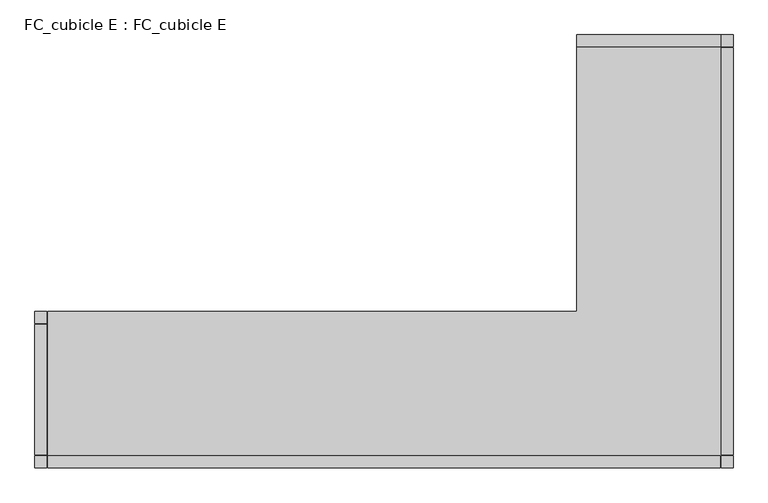
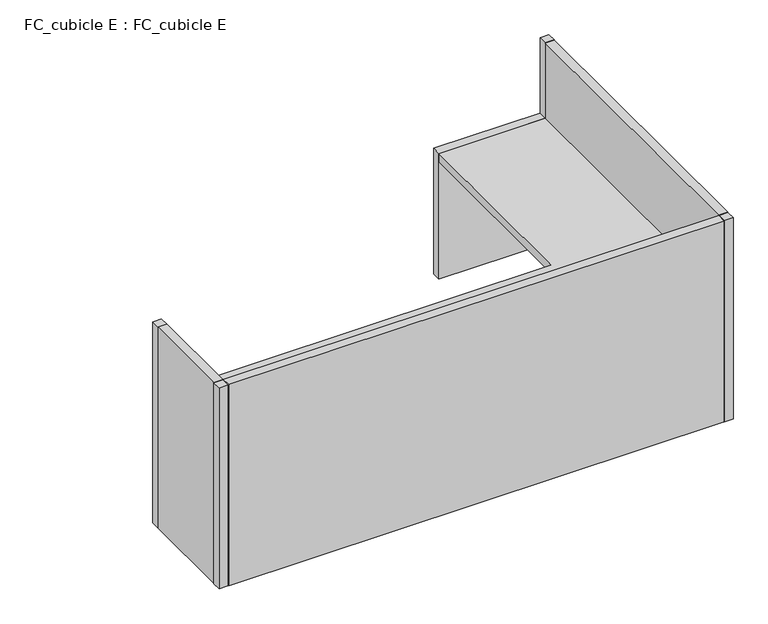
"""IFC4 building model written with IfcOpenShell, lengths in millimetres: furniture geometry, FC_cubicle E : FC_cubicle E."""

from ifc_helpers import new_model, si_unit, frame, origin, origin_with_axes, place, context, project, spatial, polyline, outline, extrude, source, transform, mapped, element, save


def fc_cubicle_e_fc_cubicle_e_1456faa3(model_context):
    return source(origin(), model_context, "Body", "SweptSolid", [
        extrude(outline(polyline([(-660.4, 1828.8), (-50.8, 1828.8), (-50.8, 1778.0), (-660.4, 1778.0), (-660.4, 1828.8)])), origin_with_axes(), (0.0, 0.0, 1.0), 762.0),
        extrude(outline(polyline([(-2946.4, 660.4), (-2895.6, 660.4), (-2895.6, 609.6), (-2946.4, 609.6), (-2946.4, 660.4)])), origin_with_axes(), (0.0, 0.0, 1.0), 1219.2),
        extrude(outline(polyline([(-2946.4, 50.8), (-2895.6, 50.8), (-2895.6, 0.0), (-2946.4, 0.0), (-2946.4, 50.8)])), origin_with_axes(), (0.0, 0.0, 1.0), 1219.2),
        extrude(outline(polyline([(-50.8, 50.8), (0.0, 50.8), (0.0, 0.0), (-50.8, 0.0), (-50.8, 50.8)])), origin_with_axes(), (0.0, 0.0, 1.0), 1219.2),
        extrude(outline(polyline([(-50.8, 1828.8), (0.0, 1828.8), (0.0, 1778.0), (-50.8, 1778.0), (-50.8, 1828.8)])), origin_with_axes(), (0.0, 0.0, 1.0), 1219.2),
        extrude(outline(polyline([(-2892.425, 660.4), (-660.4, 660.4), (-660.4, 1778.0), (-50.8, 1778.0), (-50.8, 50.8), (-2892.425, 50.8), (-2892.425, 660.4)])), frame((0.0, 0.0, 711.2), z_axis=(0.0, 0.0, 1.0), x_axis=(1.0, 0.0, 0.0)), (0.0, 0.0, 1.0), 50.8),
        extrude(outline(polyline([(-2892.425, 0.0), (-2892.425, 50.8), (-53.975, 50.8), (-53.975, 0.0), (-2892.425, 0.0)])), origin_with_axes(), (0.0, 0.0, 1.0), 1219.2),
        extrude(outline(polyline([(0.0, 53.975), (-50.8, 53.975), (-50.8, 1774.825), (0.0, 1774.825), (0.0, 53.975)])), origin_with_axes(), (0.0, 0.0, 1.0), 1219.2),
        extrude(outline(polyline([(-2946.4, 53.975), (-2946.4, 606.425), (-2895.6, 606.425), (-2895.6, 53.975), (-2946.4, 53.975)])), origin_with_axes(), (0.0, 0.0, 1.0), 1219.2),
    ])


if __name__ == "__main__":
    model = new_model("IFC4")
    model_context = context("Model", 3, world=origin())
    ifc_project = project(units=[si_unit("LENGTHUNIT", "METRE", prefix="MILLI")], contexts=[model_context])
    site = spatial("IfcSite", under=ifc_project)
    building = spatial("IfcBuilding", under=site)
    placement = place(None, origin())
    fc_cubicle_e_fc_cubicle_e_shape = fc_cubicle_e_fc_cubicle_e_1456faa3(model_context)
    element("IfcFurniture", 1, ObjectType="FC_cubicle E : FC_cubicle E", at=placement, inside=building, context=model_context, shape_type="MappedRepresentation", body=[
        mapped(fc_cubicle_e_fc_cubicle_e_shape, transform((0.0, 0.0, 0.0), x_axis=(1.0, 0.0, 0.0), y_axis=(0.0, 1.0, 0.0), z_axis=(0.0, 0.0, 1.0))),
    ])
    save(model, "model.ifc")
